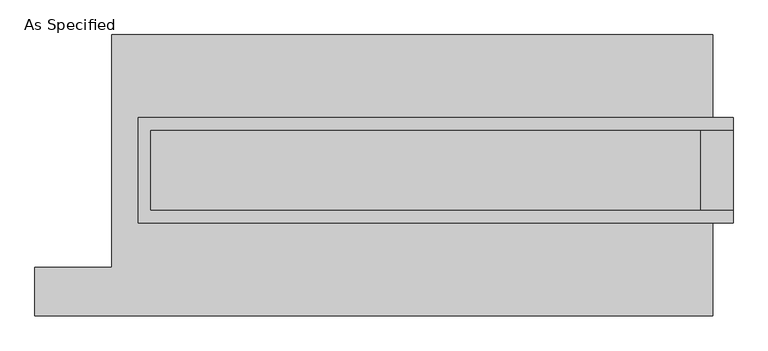
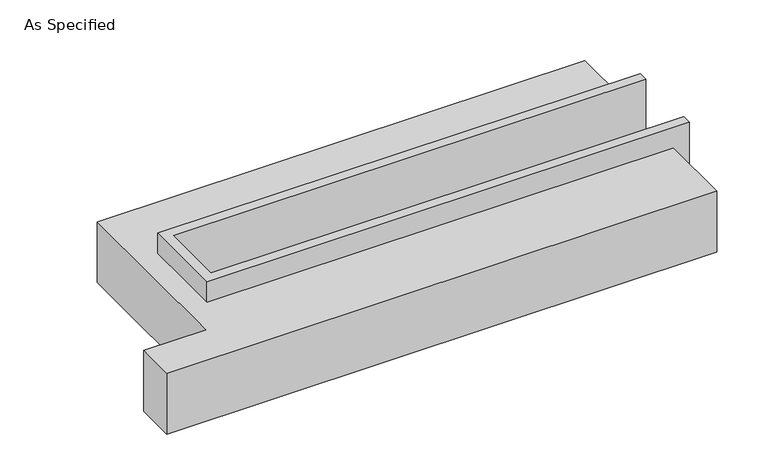
"""IFC4 building model written with IfcOpenShell, lengths in millimetres: proxy geometry, As Specified."""

from ifc_helpers import new_model, si_unit, origin, place, context, project, spatial, faceted_brep, source, transform, mapped, element, save


def as_specified_285d3b13(model_context):
    return source(origin(), model_context, "Body", "Brep", [
        faceted_brep([(-1720.85, 361.95, 139.7), (-1720.85, 361.95, -393.7), (-1720.85, 285.75, -393.7), (-1720.85, 285.75, -25.4), (-1720.85, -222.25, -25.4), (-1720.85, -222.25, -393.7), (-1720.85, -298.45, -393.7), (-1720.85, -298.45, 139.7), (2012.95, 285.75, 139.7), (2012.95, 285.75, -317.5), (2012.95, -222.25, -317.5), (2012.95, -222.25, 139.7), (2012.95, -298.45, 139.7), (2012.95, -298.45, -393.7), (2012.95, 361.95, -393.7), (2012.95, 361.95, 139.7), (-1644.65, -222.25, 139.7), (-1644.65, 285.75, 139.7), (1809.75, -222.25, -393.7), (1809.75, 285.75, -393.7), (1809.75, -222.25, -317.5), (-1644.65, -222.25, -25.4), (1809.75, 285.75, -317.5), (-1644.65, 285.75, -25.4)], [[[0, 1, 2, 3, 4, 5, 6, 7]], [[8, 9, 10, 11, 12, 13, 14, 15]], [[0, 7, 12, 11, 16, 17, 8, 15]], [[1, 0, 15, 14]], [[14, 13, 6, 5, 18, 19, 2, 1]], [[7, 6, 13, 12]], [[11, 10, 20, 18, 5, 4, 21, 16]], [[10, 9, 22, 20]], [[9, 8, 17, 23, 3, 2, 19, 22]], [[18, 20, 22, 19]], [[23, 21, 4, 3]], [[17, 16, 21, 23]]]),
        faceted_brep([(-1885.95, 882.65, -523.9742188), (1885.95, 882.65, -523.9742188), (1885.95, -882.65, -523.9742188), (-2368.55, -882.65, -523.9742188), (-2368.55, -577.85, -523.9742188), (-1885.95, -577.85, -523.9742188), (1885.95, 882.65, -25.4), (-1885.95, 882.65, -25.4), (-1885.95, -577.85, -25.4), (-2368.55, -577.85, -25.4), (-2368.55, -882.65, -25.4), (1885.95, -882.65, -25.4), (1885.95, -298.45, -25.4), (-1720.85, -298.45, -25.4), (-1720.85, 361.95, -25.4), (1885.95, 361.95, -25.4), (1885.95, 361.95, -393.7), (1885.95, -298.45, -393.7), (-1720.85, -298.45, -393.7), (-1720.85, 361.95, -393.7)], [[[0, 1, 2, 3, 4, 5]], [[6, 7, 8, 9, 10, 11, 12, 13, 14, 15]], [[1, 0, 7, 6]], [[7, 0, 5, 8]], [[1, 6, 15, 16, 17, 12, 11, 2]], [[3, 2, 11, 10]], [[18, 19, 14, 13]], [[14, 19, 16, 15]], [[19, 18, 17, 16]], [[18, 13, 12, 17]], [[5, 4, 9, 8]], [[4, 3, 10, 9]]]),
    ])


if __name__ == "__main__":
    model = new_model("IFC4")
    model_context = context("Model", 3, world=origin())
    ifc_project = project(units=[si_unit("LENGTHUNIT", "METRE", prefix="MILLI")], contexts=[model_context])
    site = spatial("IfcSite", under=ifc_project)
    building = spatial("IfcBuilding", under=site)
    placement = place(None, origin())
    as_specified_shape = as_specified_285d3b13(model_context)
    element("IfcBuildingElementProxy", 1, Name="As Specified", ObjectType="As Specified", at=placement, inside=building, context=model_context, shape_type="MappedRepresentation", body=[
        mapped(as_specified_shape, transform((0.0, 0.0, 0.0), x_axis=(1.0, 0.0, 0.0), y_axis=(0.0, 1.0, 0.0), z_axis=(0.0, 0.0, 1.0))),
    ])
    save(model, "model.ifc")
